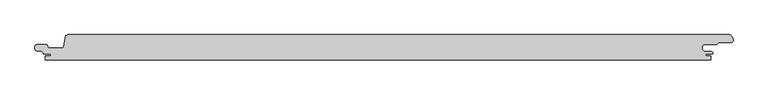
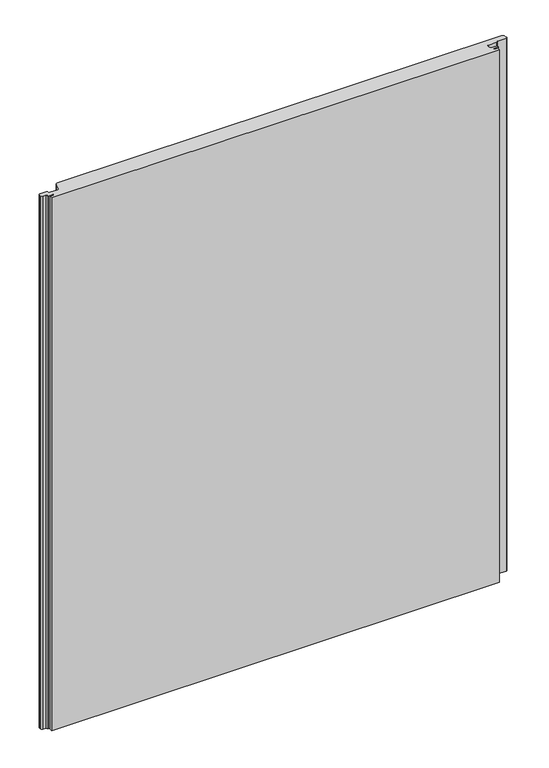
"""IFC4 building model written with IfcOpenShell, lengths in millimetres: proxy geometry."""

from ifc_helpers import new_model, si_unit, frame, origin, place, context, project, spatial, polyline, circle_curve, source, transform, mapped, element, save
from ifc_brep_helpers import plane_surface, cylinder_surface, revolved_surface, advanced_brep


def generic_models_e3c27581(model_context):
    return source(origin(), model_context, "Body", "AdvancedBrep", [
        advanced_brep(
        [(484.3298107, 1.8000001, 1250.0), (486.8298083, 4.2999995, 1250.0), (505.4082234, 4.2999995, 1250.0), (508.408237, 7.3, 1250.0), (527.5001275, 7.3, 1250.0), (530.1174781, 10.8771031, 1250.0), (529.0259034, 15.1970619, 1250.0), (523.545754, 19.0, 1250.0), (-462.1258654, 19.0, 1250.0), (-467.2618449, 14.6134595, 1250.0), (-469.4007538, 1.108914, 1250.0), (-471.869975, -1.0000008, 1250.0), (-490.8699744, -1.0000008, 1250.0), (-493.3542541, 1.4766379, 1250.0), (-495.8890733, 4.0, 1250.0), (-509.1201818, 4.0, 1250.0), (-512.3201819, 0.8, 1250.0), (-512.3201819, -1.9741325, 1250.0), (-509.3990803, -5.1619547, 1250.0), (-502.1022925, -5.8003409, 1250.0), (-500.0, -9.2119514, 1250.0), (-500.0, -10.0000004, 1250.0), (-488.8201818, -10.0000004, 1250.0), (-488.8201818, -13.0, 1250.0), (-496.8201817, -13.0, 1250.0), (-496.8201817, -19.0, 1250.0), (497.1797973, -19.0, 1250.0), (497.1797973, -13.0, 1250.0), (489.1798407, -13.0, 1250.0), (489.1798407, -10.0000004, 1250.0), (499.9, -10.0000004, 1250.0), (499.9, -8.6411684, 1250.0), (498.354128, -6.2402726, 1250.0), (486.6119534, -5.2129632, 1250.0), (484.3298107, -2.7224763, 1250.0), (484.3298107, 1.8000001, 0.0), (484.3298107, -2.7224763, 0.0), (486.6119534, -5.2129632, 0.0), (498.354128, -6.2402726, 0.0), (499.9, -8.6411684, 0.0), (499.9, -10.0000004, 0.0), (489.1798407, -10.0000004, 0.0), (489.1798407, -13.0, 0.0), (497.1797973, -13.0, 0.0), (497.1797973, -19.0, 0.0), (-496.8201817, -19.0, 0.0), (-496.8201817, -13.0, 0.0), (-488.8201818, -13.0, 0.0), (-488.8201818, -10.0000004, 0.0), (-500.0, -10.0000004, 0.0), (-500.0, -9.2119514, 0.0), (-502.1022925, -5.8003409, 0.0), (-509.3990803, -5.1619547, 0.0), (-512.3201819, -1.9741325, 0.0), (-512.3201819, 0.8, 0.0), (-509.1201818, 4.0, 0.0), (-495.8890733, 4.0, 0.0), (-493.4041499, 1.4803363, 0.0), (-490.8699744, -1.0000008, 0.0), (-471.869975, -1.0000008, 0.0), (-469.4007538, 1.108914, 0.0), (-467.2618449, 14.6134595, 0.0), (-462.1258654, 19.0, 0.0), (523.545754, 19.0, 0.0), (529.0259034, 15.1970619, 0.0), (530.1174781, 10.8771031, 0.0), (527.5001275, 7.3, 0.0), (508.408237, 7.3, 0.0), (505.4082234, 4.2999995, 0.0), (486.8298083, 4.2999995, 0.0)],
        [
            (0, 1, circle_curve(frame((486.8260066, 1.8038036, 1250.0), z_axis=(0.0, 0.0, -1.0), x_axis=(1.0, 0.0, 0.0)), 2.4961988)),
            (1, 2),
            (2, 3),
            (3, 4),
            (4, 5, circle_curve(frame((527.1899828, 10.273035, 1250.0), z_axis=(0.0, 0.0, 1.0), x_axis=(1.0, 0.0, 0.0)), 2.9891683)),
            (5, 6),
            (6, 7, circle_curve(frame((523.545754, 13.15, 1250.0), z_axis=(0.0, 0.0, 1.0), x_axis=(1.0, 0.0, 0.0)), 5.85)),
            (7, 8),
            (8, 9, circle_curve(frame((-462.186788, 13.871331, 1250.0), z_axis=(0.0, 0.0, 1.0), x_axis=(1.0, 0.0, 0.0)), 5.1290309)),
            (9, 10),
            (10, 11, circle_curve(frame((-471.8642031, 1.4932414, 1250.0), z_axis=(0.0, 0.0, -1.0), x_axis=(1.0, 0.0, 0.0)), 2.4932489)),
            (11, 12),
            (12, 13, circle_curve(frame((-491.0480249, 1.3056909, 1250.0), z_axis=(0.0, 0.0, -1.0), x_axis=(1.0, 0.0, 0.0)), 2.3125562)),
            (13, 14, circle_curve(frame((-495.7478996, 1.6540644, 1250.0), z_axis=(0.0, 0.0, 1.0), x_axis=(1.0, 0.0, 0.0)), 2.3501795)),
            (14, 15),
            (15, 16, circle_curve(frame((-509.1681836, 0.8480017, 1250.0), z_axis=(0.0, 0.0, 1.0), x_axis=(1.0, 0.0, 0.0)), 3.1523638)),
            (16, 17),
            (17, 18, circle_curve(frame((-509.0519935, -1.9116485, 1250.0), z_axis=(0.0, 0.0, 1.0), x_axis=(1.0, 0.0, 0.0)), 3.2687857)),
            (18, 19),
            (19, 20, circle_curve(frame((-503.8193353, -9.2119514, 1250.0), z_axis=(0.0, 0.0, -1.0), x_axis=(1.0, 0.0, 0.0)), 3.8193353)),
            (20, 21),
            (21, 22),
            (22, 23),
            (23, 24),
            (24, 25),
            (25, 26),
            (26, 27),
            (27, 28),
            (28, 29),
            (29, 30),
            (30, 31),
            (31, 32, circle_curve(frame((497.0478272, -8.7794849, 1250.0), z_axis=(0.0, 0.0, 1.0), x_axis=(1.0, 0.0, 0.0)), 2.8555247)),
            (32, 33),
            (33, 34, circle_curve(frame((487.1582199, -2.4215379, 1250.0), z_axis=(0.0, 0.0, -1.0), x_axis=(1.0, 0.0, 0.0)), 2.8443739)),
            (34, 0),
            (35, 36),
            (36, 37, circle_curve(frame((487.1582199, -2.4215379, 0.0), z_axis=(0.0, 0.0, 1.0), x_axis=(1.0, 0.0, 0.0)), 2.8443739)),
            (37, 38),
            (38, 39, circle_curve(frame((497.0478272, -8.7794849, 0.0), z_axis=(0.0, 0.0, -1.0), x_axis=(1.0, 0.0, 0.0)), 2.8555247)),
            (39, 40),
            (40, 41),
            (41, 42),
            (42, 43),
            (43, 44),
            (44, 45),
            (45, 46),
            (46, 47),
            (47, 48),
            (48, 49),
            (49, 50),
            (50, 51, circle_curve(frame((-503.8193353, -9.2119514, 0.0), z_axis=(0.0, 0.0, 1.0), x_axis=(1.0, 0.0, 0.0)), 3.8193353)),
            (51, 52),
            (52, 53, circle_curve(frame((-509.0519935, -1.9116485, 0.0), z_axis=(0.0, 0.0, -1.0), x_axis=(1.0, 0.0, 0.0)), 3.2687857)),
            (53, 54),
            (54, 55, circle_curve(frame((-509.1681836, 0.8480017, 0.0), z_axis=(0.0, 0.0, -1.0), x_axis=(1.0, 0.0, 0.0)), 3.1523638)),
            (55, 56),
            (56, 57, circle_curve(frame((-495.7478996, 1.6540644, 0.0), z_axis=(0.0, 0.0, -1.0), x_axis=(1.0, 0.0, 0.0)), 2.3501795)),
            (57, 58, circle_curve(frame((-491.0480249, 1.3056909, 0.0), z_axis=(0.0, 0.0, 1.0), x_axis=(1.0, 0.0, 0.0)), 2.3125562)),
            (58, 59),
            (59, 60, circle_curve(frame((-471.8642031, 1.4932414, 0.0), z_axis=(0.0, 0.0, 1.0), x_axis=(1.0, 0.0, 0.0)), 2.4932489)),
            (60, 61),
            (61, 62, circle_curve(frame((-462.186788, 13.871331, 0.0), z_axis=(0.0, 0.0, -1.0), x_axis=(1.0, 0.0, 0.0)), 5.1290309)),
            (62, 63),
            (63, 64, circle_curve(frame((523.545754, 13.15, 0.0), z_axis=(0.0, 0.0, -1.0), x_axis=(1.0, 0.0, 0.0)), 5.85)),
            (64, 65),
            (65, 66, circle_curve(frame((527.1899828, 10.273035, 0.0), z_axis=(0.0, 0.0, -1.0), x_axis=(1.0, 0.0, 0.0)), 2.9891683)),
            (66, 67),
            (67, 68),
            (68, 69),
            (69, 35, circle_curve(frame((486.8260066, 1.8038036, 0.0), z_axis=(0.0, 0.0, 1.0), x_axis=(1.0, 0.0, 0.0)), 2.4961988)),
            (31, 39),
            (38, 32),
            (0, 35),
            (69, 1),
            (68, 2),
            (67, 3),
            (66, 4),
            (65, 5),
            (64, 6),
            (63, 7),
            (62, 8),
            (61, 9),
            (60, 10),
            (59, 11),
            (58, 12),
            (57, 13),
            (56, 14),
            (55, 15),
            (54, 16),
            (53, 17),
            (52, 18),
            (51, 19),
            (50, 20),
            (49, 21),
            (48, 22),
            (47, 23),
            (46, 24),
            (45, 25),
            (44, 26),
            (43, 27),
            (42, 28),
            (41, 29),
            (40, 30),
            (37, 33),
            (36, 34),
        ],
        [
            plane_surface(frame((489.3222054, 1.8038036, 1250.0), z_axis=(0.0, 0.0, 1.0), x_axis=(0.0, -1.0, 0.0))),
            plane_surface(frame((489.3222054, 1.8038036, 0.0), z_axis=(0.0, 0.0, -1.0), x_axis=(0.0, 1.0, 0.0))),
            cylinder_surface(frame((497.0478272, -8.7794849, 0.0), z_axis=(0.0, 0.0, 1.0), x_axis=(1.0, 0.0, 0.0)), 2.8555247),
            revolved_surface(polyline([(489.32220540000003, 1.8038036, 0.0), (489.32220540000003, 1.8038036, 1250.0)]), (486.8260066, 1.8038036, 0.0), (0.0, 0.0, -1.0)),
            plane_surface(frame((486.8298083, 4.2999995, 1250.0), z_axis=(0.0, -1.0, 0.0), x_axis=(0.0, 0.0, -1.0))),
            plane_surface(frame((505.4082234, 4.2999995, 1250.0), z_axis=(0.7071052289837289, -0.707108333385959, 0.0), x_axis=(0.0, 0.0, -1.0))),
            plane_surface(frame((508.408237, 7.3, 1250.0), z_axis=(0.0, -1.0, 0.0), x_axis=(0.0, 0.0, -1.0))),
            cylinder_surface(frame((527.1899828, 10.273035, 0.0), z_axis=(0.0, 0.0, 1.0), x_axis=(1.0, 0.0, 0.0)), 2.9891683),
            plane_surface(frame((530.1174781, 10.8771031, 1250.0), z_axis=(0.9695276443999398, 0.24498193146496328, 0.0), x_axis=(0.0, 0.0, -1.0))),
            cylinder_surface(frame((523.545754, 13.15, 0.0), z_axis=(0.0, 0.0, 1.0), x_axis=(1.0, 0.0, 0.0)), 5.85),
            plane_surface(frame((523.545754, 19.0, 1250.0), z_axis=(0.0, 1.0, 0.0), x_axis=(0.0, 0.0, -1.0))),
            cylinder_surface(frame((-462.186788, 13.871331, 0.0), z_axis=(0.0, 0.0, 1.0), x_axis=(1.0, 0.0, 0.0)), 5.1290309),
            plane_surface(frame((-467.2618449, 14.6134595, 1250.0), z_axis=(-0.9876883510848851, 0.15643439881055846, 0.0), x_axis=(0.0, 0.0, -1.0))),
            revolved_surface(polyline([(-469.37095419999997, 1.4932414, 0.0), (-469.37095419999997, 1.4932414, 1250.0)]), (-471.8642031, 1.4932414, 0.0), (0.0, 0.0, -1.0)),
            plane_surface(frame((-471.869975, -1.0000008, 1250.0), z_axis=(0.0, 1.0, 0.0), x_axis=(0.0, 0.0, -1.0))),
            revolved_surface(polyline([(-488.73546869999996, 1.3056909, 0.0), (-488.73546869999996, 1.3056909, 1250.0)]), (-491.0480249, 1.3056909, 0.0), (0.0, 0.0, -1.0)),
            cylinder_surface(frame((-495.7478996, 1.6540644, 0.0), z_axis=(0.0, 0.0, 1.0), x_axis=(1.0, 0.0, 0.0)), 2.3501795),
            plane_surface(frame((-495.8890733, 4.0, 1250.0), z_axis=(0.0, 1.0, 0.0), x_axis=(0.0, 0.0, -1.0))),
            cylinder_surface(frame((-509.1681836, 0.8480017, 0.0), z_axis=(0.0, 0.0, 1.0), x_axis=(1.0, 0.0, 0.0)), 3.1523638),
            plane_surface(frame((-512.3201819, 0.8, 1250.0), z_axis=(-1.0, 0.0, 0.0), x_axis=(0.0, 0.0, -1.0))),
            cylinder_surface(frame((-509.0519935, -1.9116485, 0.0), z_axis=(0.0, 0.0, 1.0), x_axis=(1.0, 0.0, 0.0)), 3.2687857),
            plane_surface(frame((-509.3990803, -5.1619547, 1250.0), z_axis=(-0.08715574563482881, -0.9961946978391508, 0.0), x_axis=(0.0, 0.0, -1.0))),
            revolved_surface(polyline([(-500.0, -9.2119514, 0.0), (-500.0, -9.2119514, 1250.0)]), (-503.8193353, -9.2119514, 0.0), (0.0, 0.0, -1.0)),
            plane_surface(frame((-500.0, -9.2119514, 1250.0), z_axis=(-1.0, 0.0, 0.0), x_axis=(0.0, 0.0, -1.0))),
            plane_surface(frame((-500.0, -10.0000004, 1250.0), z_axis=(0.0, -1.0, 0.0), x_axis=(0.0, 0.0, -1.0))),
            plane_surface(frame((-488.8201818, -10.0000004, 1250.0), z_axis=(-1.0, 0.0, 0.0), x_axis=(0.0, 0.0, -1.0))),
            plane_surface(frame((-488.8201818, -13.0, 1250.0), z_axis=(0.0, 1.0, 0.0), x_axis=(0.0, 0.0, -1.0))),
            plane_surface(frame((-496.8201817, -13.0, 1250.0), z_axis=(-1.0, 0.0, 0.0), x_axis=(0.0, 0.0, -1.0))),
            plane_surface(frame((-496.8201817, -19.0, 1250.0), z_axis=(0.0, -1.0, 0.0), x_axis=(0.0, 0.0, -1.0))),
            plane_surface(frame((497.1797973, -19.0, 1250.0), z_axis=(1.0, 0.0, 0.0), x_axis=(0.0, 0.0, -1.0))),
            plane_surface(frame((497.1797973, -13.0, 1250.0), z_axis=(0.0, 1.0, 0.0), x_axis=(0.0, 0.0, -1.0))),
            plane_surface(frame((489.1798407, -13.0, 1250.0), z_axis=(1.0, 0.0, 0.0), x_axis=(0.0, 0.0, -1.0))),
            plane_surface(frame((489.1798407, -10.0000004, 1250.0), z_axis=(0.0, -1.0, 0.0), x_axis=(0.0, 0.0, -1.0))),
            plane_surface(frame((499.9, -10.0000004, 1250.0), z_axis=(1.0, 0.0, 0.0), x_axis=(0.0, 0.0, -1.0))),
            plane_surface(frame((498.354128, -6.2402726, 1250.0), z_axis=(0.08715592552603066, 0.9961946821006932, 0.0), x_axis=(0.0, 0.0, -1.0))),
            revolved_surface(polyline([(490.0025938, -2.4215379, 0.0), (490.0025938, -2.4215379, 1250.0)]), (487.1582199, -2.4215379, 0.0), (0.0, 0.0, -1.0)),
            plane_surface(frame((484.3298107, -2.7224763, 1250.0), z_axis=(1.0, 0.0, 0.0), x_axis=(0.0, 0.0, -1.0))),
        ],
        [
            (0, [[1, 2, 3, 4, 5, 6, 7, 8, 9, 10, 11, 12, 13, 14, 15, 16, 17, 18, 19, 20, 21, 22, 23, 24, 25, 26, 27, 28, 29, 30, 31, 32, 33, 34, 35]]),
            (1, [[36, 37, 38, 39, 40, 41, 42, 43, 44, 45, 46, 47, 48, 49, 50, 51, 52, 53, 54, 55, 56, 57, 58, 59, 60, 61, 62, 63, 64, 65, 66, 67, 68, 69, 70]]),
            (2, [[-32, 71, -39, 72]]),
            (3, [[-1, 73, -70, 74]]),
            (4, [[-2, -74, -69, 75]]),
            (5, [[-3, -75, -68, 76]]),
            (6, [[-4, -76, -67, 77]]),
            (7, [[-5, -77, -66, 78]]),
            (8, [[-6, -78, -65, 79]]),
            (9, [[-7, -79, -64, 80]]),
            (10, [[-8, -80, -63, 81]]),
            (11, [[-9, -81, -62, 82]]),
            (12, [[-10, -82, -61, 83]]),
            (13, [[-11, -83, -60, 84]]),
            (14, [[-12, -84, -59, 85]]),
            (15, [[-13, -85, -58, 86]]),
            (16, [[-14, -86, -57, 87]]),
            (17, [[-15, -87, -56, 88]]),
            (18, [[-16, -88, -55, 89]]),
            (19, [[-17, -89, -54, 90]]),
            (20, [[-18, -90, -53, 91]]),
            (21, [[-19, -91, -52, 92]]),
            (22, [[-20, -92, -51, 93]]),
            (23, [[-21, -93, -50, 94]]),
            (24, [[-22, -94, -49, 95]]),
            (25, [[-23, -95, -48, 96]]),
            (26, [[-24, -96, -47, 97]]),
            (27, [[-25, -97, -46, 98]]),
            (28, [[-26, -98, -45, 99]]),
            (29, [[-27, -99, -44, 100]]),
            (30, [[-28, -100, -43, 101]]),
            (31, [[-29, -101, -42, 102]]),
            (32, [[-30, -102, -41, 103]]),
            (33, [[-31, -103, -40, -71]]),
            (34, [[-33, -72, -38, 104]]),
            (35, [[-34, -104, -37, 105]]),
            (36, [[-35, -105, -36, -73]]),
        ],
    ),
    ])


if __name__ == "__main__":
    model = new_model("IFC4")
    model_context = context("Model", 3, world=origin())
    ifc_project = project(units=[si_unit("LENGTHUNIT", "METRE", prefix="MILLI")], contexts=[model_context])
    site = spatial("IfcSite", under=ifc_project)
    building = spatial("IfcBuilding", under=site)
    placement = place(None, origin())
    generic_models_shape = generic_models_e3c27581(model_context)
    element("IfcBuildingElementProxy", 1, Name="Generic Models", at=placement, inside=building, context=model_context, shape_type="MappedRepresentation", body=[
        mapped(generic_models_shape, transform((0.0, 0.0, 0.0), x_axis=(1.0, 0.0, 0.0), y_axis=(0.0, 1.0, 0.0), z_axis=(0.0, 0.0, 1.0))),
    ])
    save(model, "model.ifc")
